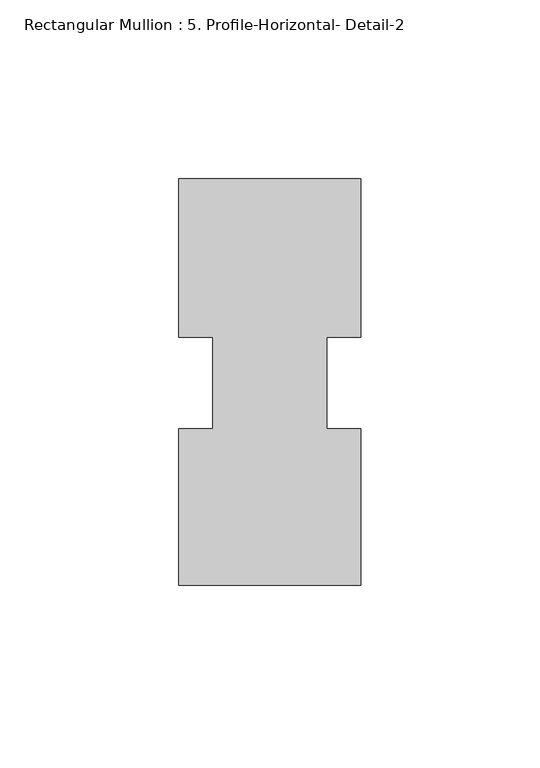
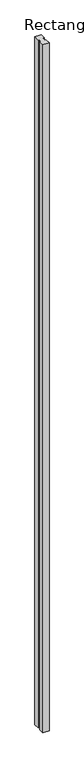
"""IFC4 building model written with IfcOpenShell, lengths in millimetres: member geometry, Rectangular Mullion : 5. Profile-Horizontal- Detail-2."""

from ifc_helpers import new_model, si_unit, frame, origin, place, context, project, spatial, polyline, outline, extrude, source, transform, mapped, element, save


def rectangular_mullion_5_profile_horizontal_detail_2_556e82c5(model_context):
    return source(origin(), model_context, "Body", "SweptSolid", [
        extrude(outline(polyline([(25.4, -56.5010161), (-25.4, -56.5010161), (-25.4, -12.7156822), (-15.875, -12.7156822), (-15.875, 12.7720162), (-25.4, 12.7720162), (-25.4, 57.0963286), (25.4, 57.0963286), (25.4, 12.7720162), (15.875, 12.7720162), (15.875, -12.7156822), (25.4, -12.7156822), (25.4, -56.5010161)])), frame((0.0, 0.0, -5997.575), z_axis=(0.0, 0.0, 1.0), x_axis=(1.0, 0.0, 0.0)), (0.0, 0.0, 1.0), 5997.575),
    ])


if __name__ == "__main__":
    model = new_model("IFC4")
    model_context = context("Model", 3, world=origin())
    ifc_project = project(units=[si_unit("LENGTHUNIT", "METRE", prefix="MILLI")], contexts=[model_context])
    site = spatial("IfcSite", under=ifc_project)
    building = spatial("IfcBuilding", under=site)
    placement = place(None, origin())
    rectangular_mullion_5_profile_horizontal_detail_2_shape = rectangular_mullion_5_profile_horizontal_detail_2_556e82c5(model_context)
    element("IfcMember", 1, ObjectType="Rectangular Mullion : 5. Profile-Horizontal- Detail-2", at=placement, inside=building, context=model_context, shape_type="MappedRepresentation", body=[
        mapped(rectangular_mullion_5_profile_horizontal_detail_2_shape, transform((0.0, 0.0, 0.0), x_axis=(1.0, 0.0, 0.0), y_axis=(0.0, 1.0, 0.0), z_axis=(0.0, 0.0, 1.0))),
    ])
    save(model, "model.ifc")
